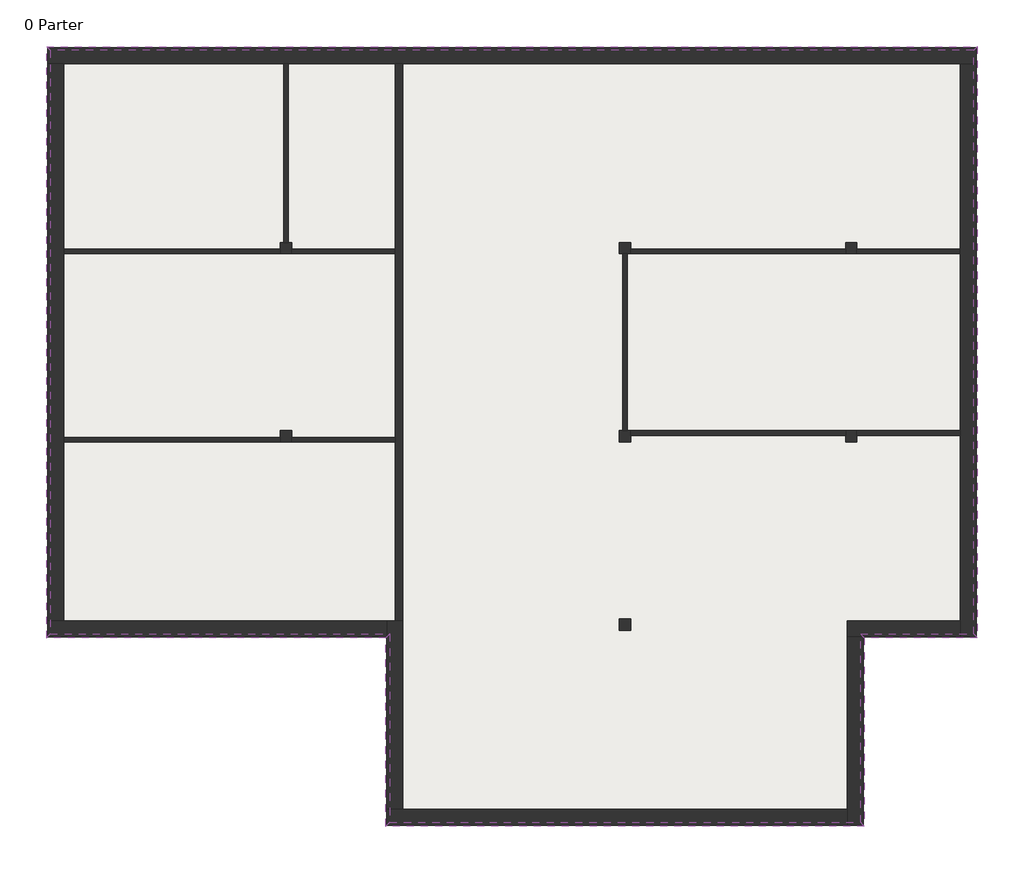
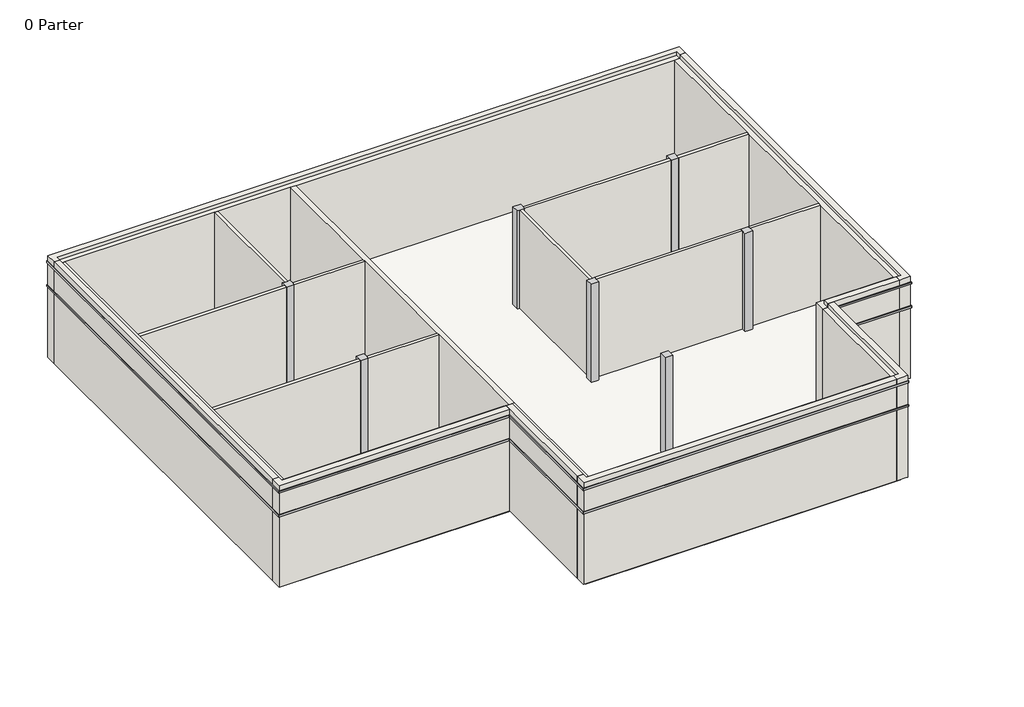
# One storey: 19 walls, 16 proxies, 7 columns, 1 slab.
"""IFC4 building model written with IfcOpenShell, lengths in millimetres."""

import ifcopenshell
import ifcopenshell.guid

model = None  # the IFC model being written
_history = None  # IfcOwnerHistory: only IFC2X3 demands one
_inside = {}  # id of a spatial element -> (the spatial element, [elements in it])
_under = {}  # id of a project, library or spatial element -> (it, [spatial elements below it])
_declared = {}  # id of a project -> (the project, [libraries it declares])
_typed = {}  # id of a type object -> (the type object, [elements of that type])
_made_of = {}  # id of a material, layer set ... -> (it, [elements and type objects made of it])


def new_model(schema):
    """Start an empty IFC model of exactly this schema.

    Asked for "IFC4X3", IfcOpenShell would pick the latest addendum, in which some entities
    have other attributes; the version numbers below select the first issue.
    IFC2X3 requires an IfcOwnerHistory on every rooted entity: one is made here for all.
    """
    global model, _history
    if schema == "IFC4X3":
        model = ifcopenshell.file(schema_version=(4, 3, 0, 0))
    else:
        model = ifcopenshell.file(schema=schema)
    _inside.clear()
    _under.clear()
    _declared.clear()
    _typed.clear()
    _made_of.clear()
    _history = None
    if model.schema == "IFC2X3":
        org = make("IfcOrganization", Name="unknown")
        user = make(
            "IfcPersonAndOrganization",
            ThePerson=make("IfcPerson", FamilyName="unknown"),
            TheOrganization=org,
        )
        app = make(
            "IfcApplication",
            ApplicationDeveloper=org,
            Version="unknown",
            ApplicationFullName="unknown",
            ApplicationIdentifier="unknown",
        )
        _history = make(
            "IfcOwnerHistory",
            OwningUser=user,
            OwningApplication=app,
            ChangeAction="ADDED",
            CreationDate=0,
        )
    return model


def make(cls, **values):
    """One entity of the class cls with the attributes given. An attribute that is None is left unset."""
    return model.create_entity(
        cls, **{name: value for name, value in values.items() if value is not None}
    )


def rooted(cls, **values):
    """An entity with a GlobalId (a new one), such as an element, a storey or a relation."""
    return make(cls, GlobalId=ifcopenshell.guid.new(), OwnerHistory=_history, **values)


def si_unit(unit_type, name, prefix=None):
    """IfcSIUnit, for example si_unit("LENGTHUNIT", "METRE", prefix="MILLI")."""
    return make("IfcSIUnit", UnitType=unit_type, Prefix=prefix, Name=name)


def assignment(units):
    """IfcUnitAssignment: the units of a project."""
    return None if units is None else make("IfcUnitAssignment", Units=units)


def point(xyz):
    """IfcCartesianPoint."""
    return None if xyz is None else make("IfcCartesianPoint", Coordinates=xyz)


def direction(xyz):
    """IfcDirection."""
    return None if xyz is None else make("IfcDirection", DirectionRatios=xyz)


def frame(location, z_axis=None, x_axis=None):
    """IfcAxis2Placement3D, a coordinate frame: its origin and axes. An axis left out is left unset."""
    return make(
        "IfcAxis2Placement3D",
        Location=point(location),
        Axis=direction(z_axis),
        RefDirection=direction(x_axis),
    )


def origin():
    """The frame at (0, 0, 0) with its axes left unset."""
    return frame((0.0, 0.0, 0.0))


def origin_with_axes():
    """The frame at (0, 0, 0) with the z axis (0, 0, 1) and the x axis (1, 0, 0) written out."""
    return frame((0.0, 0.0, 0.0), z_axis=(0.0, 0.0, 1.0), x_axis=(1.0, 0.0, 0.0))


def place(relative_to, where):
    """IfcLocalPlacement: puts the frame where relative to a parent placement (None: the world)."""
    return make(
        "IfcLocalPlacement", PlacementRelTo=relative_to, RelativePlacement=where
    )


def context(
    kind, dimensions, precision=None, world=None, true_north=None, identifier=None
):
    """IfcGeometricRepresentationContext, for example the 3D "Model" context."""
    return make(
        "IfcGeometricRepresentationContext",
        ContextIdentifier=identifier,
        ContextType=kind,
        CoordinateSpaceDimension=dimensions,
        Precision=precision,
        WorldCoordinateSystem=world,
        TrueNorth=true_north,
    )


def project(units=None, contexts=None):
    """IfcProject with its units and contexts."""
    return rooted(
        "IfcProject",
        Name="project",
        RepresentationContexts=contexts,
        UnitsInContext=assignment(units),
    )


def spatial(cls, under=None, at=None, **own):
    """A site, building, storey or space (cls), placed at a placement, below another one or the project."""
    s = rooted(cls, ObjectPlacement=at, **own)
    if under is not None:
        _under.setdefault(under.id(), (under, []))[1].append(s)
    return s


def polyline(points):
    """IfcPolyline through the points."""
    return make("IfcPolyline", Points=[point(p) for p in points])


def outline(outer, holes=None, kind="AREA"):
    """IfcArbitraryClosedProfileDef: a profile drawn as a closed curve; with holes, ...WithVoids."""
    if holes is None:
        return make("IfcArbitraryClosedProfileDef", ProfileType=kind, OuterCurve=outer)
    return make(
        "IfcArbitraryProfileDefWithVoids",
        ProfileType=kind,
        OuterCurve=outer,
        InnerCurves=holes,
    )


def extrude(swept, where, along, depth):
    """IfcExtrudedAreaSolid: the profile swept, set in the frame where, extruded along a direction by depth."""
    return make(
        "IfcExtrudedAreaSolid",
        SweptArea=swept,
        Position=where,
        ExtrudedDirection=direction(along),
        Depth=depth,
    )


def faces_of(points, faces, orient=None, outer=None):
    """IfcFace entities. A face is a list of loops; a loop is a list of indices into points, from 0.

    orient and outer hold one flag for each loop. By default every Orientation is true, the
    first loop of a face is its IfcFaceOuterBound and the others are IfcFaceBound.
    """
    made = []
    for i, loops in enumerate(faces):
        bounds = []
        for j, loop in enumerate(loops):
            is_outer = j == 0 if outer is None else outer[i][j]
            bounds.append(
                make(
                    "IfcFaceOuterBound" if is_outer else "IfcFaceBound",
                    Bound=make("IfcPolyLoop", Polygon=[points[k] for k in loop]),
                    Orientation=True if orient is None else orient[i][j],
                )
            )
        made.append(make("IfcFace", Bounds=bounds))
    return made


def faceted_brep(points, faces, orient=None, outer=None, voids=None):
    """IfcFacetedBrep: a solid bounded by flat faces; with voids (closed shells), ...WithVoids."""
    shared = [point(p) for p in points]
    hull = make("IfcClosedShell", CfsFaces=faces_of(shared, faces, orient, outer))
    if voids is None:
        return make("IfcFacetedBrep", Outer=hull)
    return make(
        "IfcFacetedBrepWithVoids",
        Outer=hull,
        Voids=[
            make(cls, CfsFaces=faces_of(shared, fs, o, b)) for cls, fs, o, b in voids
        ],
    )


def shape(context_of_items, identifier, shape_type, items):
    """IfcShapeRepresentation: the items that make up one representation, for example the "Body"."""
    return make(
        "IfcShapeRepresentation",
        ContextOfItems=context_of_items,
        RepresentationIdentifier=identifier,
        RepresentationType=shape_type,
        Items=items,
    )


def made_of(thing, what):
    """Note that an element or type object is made of a material, layer set ...; save() writes the relation."""
    if what is not None:
        _made_of.setdefault(what.id(), (what, []))[1].append(thing)
    return thing


def element(
    cls,
    number,
    at=None,
    inside=None,
    cuts=None,
    type_object=None,
    material=None,
    context=None,
    identifier="Body",
    shape_type=None,
    held_by="IfcProductDefinitionShape",
    body=None,
    shapes=None,
    **own,
):
    """One element of the class cls, such as IfcWall. Its Tag is "e" and its number.

    at: its placement. inside: the storey or other place that contains it. cuts: it is an
    opening in that element (IfcRelVoidsElement). A single representation is given by context,
    identifier, shape_type and body (its items); several are given by shapes. held_by: the class
    of the entity that holds the representations. save() writes the other relations.
    """
    e = rooted(cls, Tag="e%d" % number, ObjectPlacement=at, **own)
    if body is not None:
        shapes = [shape(context, identifier, shape_type, body)]
    if shapes is not None:
        e.Representation = make(held_by, Representations=shapes)
    if inside is not None:
        _inside.setdefault(inside.id(), (inside, []))[1].append(e)
    if cuts is not None:
        rooted(
            "IfcRelVoidsElement", RelatingBuildingElement=cuts, RelatedOpeningElement=e
        )
    if type_object is not None:
        _typed.setdefault(type_object.id(), (type_object, []))[1].append(e)
    return made_of(e, material)


def aggregate(whole, parts):
    """IfcRelAggregates: a whole, such as a stair, and the parts it consists of."""
    return rooted("IfcRelAggregates", RelatingObject=whole, RelatedObjects=parts)


def save(model, path):
    """Write the relations noted so far, then the file.

    IfcRelAggregates (storeys below a building ...), IfcRelContainedInSpatialStructure (elements
    in a storey), IfcRelDefinesByType, IfcRelAssociatesMaterial and IfcRelDeclares: one each for
    every whole, place, type object, material and project.
    """
    for whole, parts in _under.values():
        aggregate(whole, parts)
    for where, things in _inside.values():
        rooted(
            "IfcRelContainedInSpatialStructure",
            RelatedElements=things,
            RelatingStructure=where,
        )
    for kind, things in _typed.values():
        rooted("IfcRelDefinesByType", RelatedObjects=things, RelatingType=kind)
    for what, things in _made_of.values():
        rooted("IfcRelAssociatesMaterial", RelatedObjects=things, RelatingMaterial=what)
    for by, libraries in _declared.values():
        rooted("IfcRelDeclares", RelatingContext=by, RelatedDefinitions=libraries)
    model.write(path)


model = new_model("IFC4")

# Units and contexts
model_context = context("Model", 3, world=origin())
ifc_project = project(units=[si_unit("LENGTHUNIT", "METRE", prefix="MILLI")], contexts=[model_context])

# Site, building, storey
site = spatial("IfcSite", under=ifc_project)
building = spatial("IfcBuilding", under=site)
storey = spatial("IfcBuildingStorey", under=building, Name="0 Parter", Elevation=0.0)

# Proxies
placement = place(None, origin())
element("IfcBuildingElementProxy", 1, Name="Reveals", at=placement, inside=storey, context=model_context, shape_type="SweptSolid", body=[
    extrude(outline(polyline([(-16305.387527, 15039.0054116), (-16407.887527, 15141.5054116), (8291.112473, 15141.5054116), (8188.612473, 15039.0054116), (-16305.387527, 15039.0054116)])), frame((0.0, 0.0, 2925.0), z_axis=(0.0, 0.0, 1.0), x_axis=(1.0, 0.0, 0.0)), (0.0, 0.0, 1.0), 75.0),
])
element("IfcBuildingElementProxy", 2, Name="Reveals", at=placement, inside=storey, context=model_context, shape_type="SweptSolid", body=[
    extrude(outline(polyline([(-16305.387527, 15039.0054116), (-16407.887527, 15141.5054116), (8291.112473, 15141.5054116), (8188.612473, 15039.0054116), (-16305.387527, 15039.0054116)])), frame((0.0, 0.0, 3900.0), z_axis=(0.0, 0.0, 1.0), x_axis=(1.0, 0.0, 0.0)), (0.0, 0.0, 1.0), 75.0),
])
element("IfcBuildingElementProxy", 3, Name="Reveals", at=placement, inside=storey, context=model_context, shape_type="SweptSolid", body=[
    extrude(outline(polyline([(8188.612473, 15039.0054116), (8291.112473, 15141.5054116), (8291.112473, -557.4945884), (8188.612473, -454.9945884), (8188.612473, 15039.0054116)])), frame((0.0, 0.0, 2925.0), z_axis=(0.0, 0.0, 1.0), x_axis=(1.0, 0.0, 0.0)), (0.0, 0.0, 1.0), 75.0),
])
element("IfcBuildingElementProxy", 4, Name="Reveals", at=placement, inside=storey, context=model_context, shape_type="SweptSolid", body=[
    extrude(outline(polyline([(8188.612473, 15039.0054116), (8291.112473, 15141.5054116), (8291.112473, -557.4945884), (8188.612473, -454.9945884), (8188.612473, 15039.0054116)])), frame((0.0, 0.0, 3900.0), z_axis=(0.0, 0.0, 1.0), x_axis=(1.0, 0.0, 0.0)), (0.0, 0.0, 1.0), 75.0),
])
element("IfcBuildingElementProxy", 5, Name="Reveals", at=placement, inside=storey, context=model_context, shape_type="SweptSolid", body=[
    extrude(outline(polyline([(8188.612473, -454.9945884), (8291.112473, -557.4945884), (5291.112473, -557.4945884), (5188.612473, -454.9945884), (8188.612473, -454.9945884)])), frame((0.0, 0.0, 2925.0), z_axis=(0.0, 0.0, 1.0), x_axis=(1.0, 0.0, 0.0)), (0.0, 0.0, 1.0), 75.0),
])
element("IfcBuildingElementProxy", 6, Name="Reveals", at=placement, inside=storey, context=model_context, shape_type="SweptSolid", body=[
    extrude(outline(polyline([(8188.612473, -454.9945884), (8291.112473, -557.4945884), (5291.112473, -557.4945884), (5188.612473, -454.9945884), (8188.612473, -454.9945884)])), frame((0.0, 0.0, 3900.0), z_axis=(0.0, 0.0, 1.0), x_axis=(1.0, 0.0, 0.0)), (0.0, 0.0, 1.0), 75.0),
])
element("IfcBuildingElementProxy", 7, Name="Reveals", at=placement, inside=storey, context=model_context, shape_type="SweptSolid", body=[
    extrude(outline(polyline([(5188.612473, -454.9945884), (5291.112473, -557.4945884), (5291.112473, -5557.4945884), (5188.612473, -5454.9945884), (5188.612473, -454.9945884)])), frame((0.0, 0.0, 2925.0), z_axis=(0.0, 0.0, 1.0), x_axis=(1.0, 0.0, 0.0)), (0.0, 0.0, 1.0), 75.0),
])
element("IfcBuildingElementProxy", 8, Name="Reveals", at=placement, inside=storey, context=model_context, shape_type="SweptSolid", body=[
    extrude(outline(polyline([(5188.612473, -454.9945884), (5291.112473, -557.4945884), (5291.112473, -5557.4945884), (5188.612473, -5454.9945884), (5188.612473, -454.9945884)])), frame((0.0, 0.0, 3900.0), z_axis=(0.0, 0.0, 1.0), x_axis=(1.0, 0.0, 0.0)), (0.0, 0.0, 1.0), 75.0),
])
element("IfcBuildingElementProxy", 9, Name="Reveals", at=placement, inside=storey, context=model_context, shape_type="SweptSolid", body=[
    extrude(outline(polyline([(5188.612473, -5454.9945884), (5291.112473, -5557.4945884), (-7407.887527, -5557.4945884), (-7305.387527, -5454.9945884), (5188.612473, -5454.9945884)])), frame((0.0, 0.0, 2925.0), z_axis=(0.0, 0.0, 1.0), x_axis=(1.0, 0.0, 0.0)), (0.0, 0.0, 1.0), 75.0),
])
element("IfcBuildingElementProxy", 10, Name="Reveals", at=placement, inside=storey, context=model_context, shape_type="SweptSolid", body=[
    extrude(outline(polyline([(5188.612473, -5454.9945884), (5291.112473, -5557.4945884), (-7407.887527, -5557.4945884), (-7305.387527, -5454.9945884), (5188.612473, -5454.9945884)])), frame((0.0, 0.0, 3900.0), z_axis=(0.0, 0.0, 1.0), x_axis=(1.0, 0.0, 0.0)), (0.0, 0.0, 1.0), 75.0),
])
element("IfcBuildingElementProxy", 11, Name="Reveals", at=placement, inside=storey, context=model_context, shape_type="SweptSolid", body=[
    extrude(outline(polyline([(-7305.387527, -5454.9945884), (-7407.887527, -5557.4945884), (-7407.887527, -557.4945884), (-7305.387527, -454.9945884), (-7305.387527, -5454.9945884)])), frame((0.0, 0.0, 2925.0), z_axis=(0.0, 0.0, 1.0), x_axis=(1.0, 0.0, 0.0)), (0.0, 0.0, 1.0), 75.0),
])
element("IfcBuildingElementProxy", 12, Name="Reveals", at=placement, inside=storey, context=model_context, shape_type="SweptSolid", body=[
    extrude(outline(polyline([(-7305.387527, -5454.9945884), (-7407.887527, -5557.4945884), (-7407.887527, -557.4945884), (-7305.387527, -454.9945884), (-7305.387527, -5454.9945884)])), frame((0.0, 0.0, 3900.0), z_axis=(0.0, 0.0, 1.0), x_axis=(1.0, 0.0, 0.0)), (0.0, 0.0, 1.0), 75.0),
])
element("IfcBuildingElementProxy", 13, Name="Reveals", at=placement, inside=storey, context=model_context, shape_type="SweptSolid", body=[
    extrude(outline(polyline([(-7305.387527, -454.9945884), (-7407.887527, -557.4945884), (-16407.887527, -557.4945884), (-16305.387527, -454.9945884), (-7305.387527, -454.9945884)])), frame((0.0, 0.0, 2925.0), z_axis=(0.0, 0.0, 1.0), x_axis=(1.0, 0.0, 0.0)), (0.0, 0.0, 1.0), 75.0),
])
element("IfcBuildingElementProxy", 14, Name="Reveals", at=placement, inside=storey, context=model_context, shape_type="SweptSolid", body=[
    extrude(outline(polyline([(-7305.387527, -454.9945884), (-7407.887527, -557.4945884), (-16407.887527, -557.4945884), (-16305.387527, -454.9945884), (-7305.387527, -454.9945884)])), frame((0.0, 0.0, 3900.0), z_axis=(0.0, 0.0, 1.0), x_axis=(1.0, 0.0, 0.0)), (0.0, 0.0, 1.0), 75.0),
])
element("IfcBuildingElementProxy", 15, Name="Reveals", at=placement, inside=storey, context=model_context, shape_type="SweptSolid", body=[
    extrude(outline(polyline([(-16305.387527, -454.9945884), (-16407.887527, -557.4945884), (-16407.887527, 15141.5054116), (-16305.387527, 15039.0054116), (-16305.387527, -454.9945884)])), frame((0.0, 0.0, 2925.0), z_axis=(0.0, 0.0, 1.0), x_axis=(1.0, 0.0, 0.0)), (0.0, 0.0, 1.0), 75.0),
])
element("IfcBuildingElementProxy", 16, Name="Reveals", at=placement, inside=storey, context=model_context, shape_type="SweptSolid", body=[
    extrude(outline(polyline([(-16305.387527, -454.9945884), (-16407.887527, -557.4945884), (-16407.887527, 15141.5054116), (-16305.387527, 15039.0054116), (-16305.387527, -454.9945884)])), frame((0.0, 0.0, 3900.0), z_axis=(0.0, 0.0, 1.0), x_axis=(1.0, 0.0, 0.0)), (0.0, 0.0, 1.0), 75.0),
])

# Columns
element("IfcColumn", 17, ObjectType="300 x 300 mm", at=placement, inside=storey, context=model_context, shape_type="Brep", body=[
    faceted_brep([(-9908.387527, 9942.0054116, 0.0), (-9908.387527, 9766.0054116, 0.0), (-9908.387527, 9642.0054116, 0.0), (-10208.387527, 9642.0054116, 0.0), (-10208.387527, 9942.0054116, 0.0), (-10120.387527, 9942.0054116, 0.0), (-9996.387527, 9942.0054116, 0.0), (-9908.387527, 9942.0054116, 4050.0), (-9908.387527, 9766.0054116, 4050.0), (-9908.387527, 9642.0054116, 4050.0), (-10208.387527, 9642.0054116, 4050.0), (-10208.387527, 9942.0054116, 4050.0), (-10120.387527, 9942.0054116, 4050.0), (-9996.387527, 9942.0054116, 4050.0)], [[[0, 1, 2, 3, 4, 5, 6]], [[2, 1, 0, 7, 8, 9]], [[3, 2, 9, 10]], [[4, 3, 10, 11]], [[0, 6, 5, 4, 11, 12, 13, 7]], [[9, 8, 7, 13, 12, 11, 10]]]),
])
element("IfcColumn", 18, ObjectType="300 x 300 mm", at=placement, inside=storey, context=model_context, shape_type="Brep", body=[
    faceted_brep([(-9908.387527, 4942.0054116, 0.0), (-9908.387527, 4766.0054116, 0.0), (-9908.387527, 4642.0054116, 0.0), (-10208.387527, 4642.0054116, 0.0), (-10208.387527, 4766.0054116, 0.0), (-10208.387527, 4942.0054116, 0.0), (-9908.387527, 4942.0054116, 4050.0), (-9908.387527, 4766.0054116, 4050.0), (-9908.387527, 4642.0054116, 4050.0), (-10208.387527, 4642.0054116, 4050.0), (-10208.387527, 4766.0054116, 4050.0), (-10208.387527, 4942.0054116, 4050.0)], [[[0, 1, 2, 3, 4, 5]], [[2, 1, 0, 6, 7, 8]], [[3, 2, 8, 9]], [[5, 4, 3, 9, 10, 11]], [[0, 5, 11, 6]], [[8, 7, 6, 11, 10, 9]]]),
])
element("IfcColumn", 19, ObjectType="300 x 300 mm", at=placement, inside=storey, context=model_context, shape_type="Brep", body=[
    faceted_brep([(-908.387527, 9942.0054116, 0.0), (-908.387527, 9766.0054116, 0.0), (-908.387527, 9642.0054116, 0.0), (-996.387527, 9642.0054116, 0.0), (-1120.387527, 9642.0054116, 0.0), (-1208.387527, 9642.0054116, 0.0), (-1208.387527, 9942.0054116, 0.0), (-908.387527, 9942.0054116, 4050.0), (-908.387527, 9766.0054116, 4050.0), (-908.387527, 9642.0054116, 4050.0), (-996.387527, 9642.0054116, 4050.0), (-1120.387527, 9642.0054116, 4050.0), (-1208.387527, 9642.0054116, 4050.0), (-1208.387527, 9942.0054116, 4050.0)], [[[0, 1, 2, 3, 4, 5, 6]], [[2, 1, 0, 7, 8, 9]], [[5, 4, 3, 2, 9, 10, 11, 12]], [[6, 5, 12, 13]], [[0, 6, 13, 7]], [[9, 8, 7, 13, 12, 11, 10]]]),
])
element("IfcColumn", 20, ObjectType="300 x 300 mm", at=placement, inside=storey, context=model_context, shape_type="Brep", body=[
    faceted_brep([(-908.387527, 4942.0054116, 0.0), (-908.387527, 4818.0054116, 0.0), (-908.387527, 4642.0054116, 0.0), (-1208.387527, 4642.0054116, 0.0), (-1208.387527, 4942.0054116, 0.0), (-1120.387527, 4942.0054116, 0.0), (-996.387527, 4942.0054116, 0.0), (-908.387527, 4942.0054116, 4050.0), (-908.387527, 4818.0054116, 4050.0), (-908.387527, 4642.0054116, 4050.0), (-1208.387527, 4642.0054116, 4050.0), (-1208.387527, 4942.0054116, 4050.0), (-1120.387527, 4942.0054116, 4050.0), (-996.387527, 4942.0054116, 4050.0)], [[[0, 1, 2, 3, 4, 5, 6]], [[2, 1, 0, 7, 8, 9]], [[3, 2, 9, 10]], [[4, 3, 10, 11]], [[0, 6, 5, 4, 11, 12, 13, 7]], [[9, 8, 7, 13, 12, 11, 10]]]),
])
element("IfcColumn", 21, ObjectType="300 x 300 mm", at=placement, inside=storey, context=model_context, shape_type="Brep", body=[
    faceted_brep([(5091.612473, 9942.0054116, 0.0), (5091.612473, 9766.0054116, 0.0), (5091.612473, 9642.0054116, 0.0), (4791.612473, 9642.0054116, 0.0), (4791.612473, 9766.0054116, 0.0), (4791.612473, 9942.0054116, 0.0), (5091.612473, 9942.0054116, 4050.0), (5091.612473, 9766.0054116, 4050.0), (5091.612473, 9642.0054116, 4050.0), (4791.612473, 9642.0054116, 4050.0), (4791.612473, 9766.0054116, 4050.0), (4791.612473, 9942.0054116, 4050.0)], [[[0, 1, 2, 3, 4, 5]], [[2, 1, 0, 6, 7, 8]], [[3, 2, 8, 9]], [[5, 4, 3, 9, 10, 11]], [[0, 5, 11, 6]], [[8, 7, 6, 11, 10, 9]]]),
])
element("IfcColumn", 22, ObjectType="300 x 300 mm", at=placement, inside=storey, context=model_context, shape_type="Brep", body=[
    faceted_brep([(5091.612473, 4942.0054116, 0.0), (5091.612473, 4818.0054116, 0.0), (5091.612473, 4642.0054116, 0.0), (4791.612473, 4642.0054116, 0.0), (4791.612473, 4818.0054116, 0.0), (4791.612473, 4942.0054116, 0.0), (5091.612473, 4942.0054116, 4050.0), (5091.612473, 4818.0054116, 4050.0), (5091.612473, 4642.0054116, 4050.0), (4791.612473, 4642.0054116, 4050.0), (4791.612473, 4818.0054116, 4050.0), (4791.612473, 4942.0054116, 4050.0)], [[[0, 1, 2, 3, 4, 5]], [[2, 1, 0, 6, 7, 8]], [[3, 2, 8, 9]], [[5, 4, 3, 9, 10, 11]], [[0, 5, 11, 6]], [[8, 7, 6, 11, 10, 9]]]),
])
element("IfcColumn", 23, ObjectType="300 x 300 mm", at=placement, inside=storey, context=model_context, shape_type="SweptSolid", body=[
    extrude(outline(polyline([(-908.387527, -57.9945884), (-908.387527, -357.9945884), (-1208.387527, -357.9945884), (-1208.387527, -57.9945884), (-908.387527, -57.9945884)])), origin_with_axes(), (0.0, 0.0, 1.0), 4050.0),
])

# Slab
element("IfcSlab", 24, at=placement, inside=storey, context=model_context, shape_type="SweptSolid", body=[
    extrude(outline(polyline([(8091.612473, 14942.0054116), (8091.612473, -357.9945884), (5091.612473, -357.9945884), (5091.612473, -5357.9945884), (-7208.387527, -5357.9945884), (-7208.387527, -357.9945884), (-16208.387527, -357.9945884), (-16208.387527, 14942.0054116), (8091.612473, 14942.0054116)])), frame((0.0, 0.0, -150.0), z_axis=(0.0, 0.0, 1.0), x_axis=(1.0, 0.0, 0.0)), (0.0, 0.0, 1.0), 150.0),
])

# Walls
element("IfcWall", 25, at=placement, inside=storey, context=model_context, shape_type="Brep", body=[
    faceted_brep([(-16380.387527, 14685.0054116, 0.0), (-15951.387527, 14685.0054116, 0.0), (-10120.387527, 14685.0054116, 0.0), (-9996.387527, 14685.0054116, 0.0), (-7151.387527, 14685.0054116, 0.0), (-6951.387527, 14685.0054116, 0.0), (7834.612473, 14685.0054116, 0.0), (8263.612473, 14685.0054116, 0.0), (8263.612473, 14685.0054116, 2925.0), (8188.612473, 14685.0054116, 2925.0), (8188.612473, 14685.0054116, 3000.0), (8263.612473, 14685.0054116, 3000.0), (8263.612473, 14685.0054116, 3900.0), (8188.612473, 14685.0054116, 3900.0), (8188.612473, 14685.0054116, 3975.0), (8263.612473, 14685.0054116, 3975.0), (8263.612473, 14685.0054116, 4200.0), (8036.612473, 14685.0054116, 4200.0), (8036.612473, 14685.0054116, 4050.0), (7834.612473, 14685.0054116, 4050.0), (-6951.387527, 14685.0054116, 4050.0), (-7151.387527, 14685.0054116, 4050.0), (-9996.387527, 14685.0054116, 4050.0), (-10120.387527, 14685.0054116, 4050.0), (-15951.387527, 14685.0054116, 4050.0), (-16153.387527, 14685.0054116, 4050.0), (-16153.387527, 14685.0054116, 4200.0), (-16380.387527, 14685.0054116, 4200.0), (-16380.387527, 14685.0054116, 3975.0), (-16305.387527, 14685.0054116, 3975.0), (-16305.387527, 14685.0054116, 3900.0), (-16380.387527, 14685.0054116, 3900.0), (-16380.387527, 14685.0054116, 3000.0), (-16305.387527, 14685.0054116, 3000.0), (-16305.387527, 14685.0054116, 2925.0), (-16380.387527, 14685.0054116, 2925.0), (-16380.387527, 15114.0054116, 4200.0), (8263.612473, 15114.0054116, 4200.0), (8263.612473, 15114.0054116, 3975.0), (-16380.387527, 15114.0054116, 3975.0), (8263.612473, 15114.0054116, 0.0), (-16380.387527, 15114.0054116, 0.0), (-16380.387527, 15114.0054116, 2925.0), (8263.612473, 15114.0054116, 2925.0), (8263.612473, 15114.0054116, 3900.0), (8263.612473, 15114.0054116, 3000.0), (-16380.387527, 15114.0054116, 3000.0), (-16380.387527, 15114.0054116, 3900.0), (-16153.387527, 14887.0054116, 4200.0), (8036.612473, 14887.0054116, 4200.0), (-16380.387527, 15089.0054116, 0.0), (8263.612473, 15089.0054116, 0.0), (-16305.387527, 15039.0054116, 2925.0), (-16305.387527, 15039.0054116, 3000.0), (8188.612473, 15039.0054116, 3000.0), (8188.612473, 15039.0054116, 2925.0), (-16305.387527, 15039.0054116, 3900.0), (-16305.387527, 15039.0054116, 3975.0), (8188.612473, 15039.0054116, 3975.0), (8188.612473, 15039.0054116, 3900.0), (8036.612473, 14887.0054116, 4050.0), (-16153.387527, 14887.0054116, 4050.0)], [[[0, 1, 2, 3, 4, 5, 6, 7, 8, 9, 10, 11, 12, 13, 14, 15, 16, 17, 18, 19, 20, 21, 22, 23, 24, 25, 26, 27, 28, 29, 30, 31, 32, 33, 34, 35]], [[36, 37, 38, 39]], [[40, 41, 42, 43]], [[44, 45, 46, 47]], [[37, 36, 27, 26, 48, 49, 17, 16]], [[7, 6, 5, 4, 3, 2, 1, 0, 50, 51]], [[52, 53, 54, 55]], [[56, 57, 58, 59]], [[37, 16, 15, 38]], [[7, 51, 40, 43, 8]], [[12, 11, 45, 44]], [[55, 54, 10, 9]], [[59, 58, 14, 13]], [[27, 36, 39, 28]], [[50, 0, 35, 42, 41]], [[46, 32, 31, 47]], [[41, 40, 51, 50]], [[54, 53, 33, 32, 46, 45, 11, 10]], [[52, 55, 9, 8, 43, 42, 35, 34]], [[53, 52, 34, 33]], [[58, 57, 29, 28, 39, 38, 15, 14]], [[56, 59, 13, 12, 44, 47, 31, 30]], [[57, 56, 30, 29]], [[60, 61, 25, 24, 23, 22, 21, 20, 19, 18]], [[49, 60, 18, 17]], [[61, 48, 26, 25]], [[61, 60, 49, 48]]]),
])
element("IfcWall", 26, at=placement, inside=storey, context=model_context, shape_type="Brep", body=[
    faceted_brep([(7834.612473, 14685.0054116, 0.0), (7834.612473, 9766.0054116, 0.0), (7834.612473, 9642.0054116, 0.0), (7834.612473, 4942.0054116, 0.0), (7834.612473, 4818.0054116, 0.0), (7834.612473, -100.9945884, 0.0), (7834.612473, -529.9945884, 0.0), (7834.612473, -529.9945884, 2925.0), (7834.612473, -454.9945884, 2925.0), (7834.612473, -454.9945884, 3000.0), (7834.612473, -529.9945884, 3000.0), (7834.612473, -529.9945884, 3900.0), (7834.612473, -454.9945884, 3900.0), (7834.612473, -454.9945884, 3975.0), (7834.612473, -529.9945884, 3975.0), (7834.612473, -529.9945884, 4200.0), (7834.612473, -302.9945884, 4200.0), (7834.612473, -302.9945884, 4050.0), (7834.612473, -100.9945884, 4050.0), (7834.612473, 4818.0054116, 4050.0), (7834.612473, 4942.0054116, 4050.0), (7834.612473, 9642.0054116, 4050.0), (7834.612473, 9766.0054116, 4050.0), (7834.612473, 14685.0054116, 4050.0), (8263.612473, 14685.0054116, 4200.0), (8263.612473, -529.9945884, 4200.0), (8263.612473, -529.9945884, 3975.0), (8263.612473, 14685.0054116, 3975.0), (8263.612473, -529.9945884, 0.0), (8263.612473, 14685.0054116, 0.0), (8263.612473, 14685.0054116, 2925.0), (8263.612473, -529.9945884, 2925.0), (8263.612473, -529.9945884, 3000.0), (8263.612473, 14685.0054116, 3000.0), (8263.612473, 14685.0054116, 3900.0), (8263.612473, -529.9945884, 3900.0), (8036.612473, 14685.0054116, 4200.0), (8036.612473, -302.9945884, 4200.0), (8238.612473, 14685.0054116, 0.0), (8238.612473, -529.9945884, 0.0), (8188.612473, -454.9945884, 2925.0), (8188.612473, 14685.0054116, 2925.0), (8188.612473, 14685.0054116, 3000.0), (8188.612473, -454.9945884, 3000.0), (8188.612473, -454.9945884, 3900.0), (8188.612473, 14685.0054116, 3900.0), (8188.612473, 14685.0054116, 3975.0), (8188.612473, -454.9945884, 3975.0), (8036.612473, 14685.0054116, 4050.0), (8036.612473, -302.9945884, 4050.0)], [[[0, 1, 2, 3, 4, 5, 6, 7, 8, 9, 10, 11, 12, 13, 14, 15, 16, 17, 18, 19, 20, 21, 22, 23]], [[24, 25, 26, 27]], [[28, 29, 30, 31]], [[32, 33, 34, 35]], [[25, 24, 36, 37, 16, 15]], [[6, 5, 4, 3, 2, 1, 0, 38, 39]], [[40, 41, 42, 43]], [[44, 45, 46, 47]], [[38, 0, 23, 48, 36, 24, 27, 46, 45, 34, 33, 42, 41, 30, 29]], [[29, 28, 39, 38]], [[43, 42, 33, 32, 10, 9]], [[41, 40, 8, 7, 31, 30]], [[47, 46, 27, 26, 14, 13]], [[45, 44, 12, 11, 35, 34]], [[25, 15, 14, 26]], [[6, 39, 28, 31, 7]], [[10, 32, 35, 11]], [[40, 43, 9, 8]], [[44, 47, 13, 12]], [[17, 49, 48, 23, 22, 21, 20, 19, 18]], [[49, 37, 36, 48]], [[37, 49, 17, 16]]]),
])
element("IfcWall", 27, at=placement, inside=storey, context=model_context, shape_type="Brep", body=[
    faceted_brep([(7834.612473, -100.9945884, 0.0), (4834.612473, -100.9945884, 0.0), (4834.612473, -100.9945884, 4050.0), (7834.612473, -100.9945884, 4050.0), (4834.612473, -529.9945884, 0.0), (5263.612473, -529.9945884, 0.0), (7834.612473, -529.9945884, 0.0), (7834.612473, -529.9945884, 2925.0), (5263.612473, -529.9945884, 2925.0), (5188.612473, -529.9945884, 2925.0), (5188.612473, -529.9945884, 3000.0), (5263.612473, -529.9945884, 3000.0), (7834.612473, -529.9945884, 3000.0), (7834.612473, -529.9945884, 3900.0), (5263.612473, -529.9945884, 3900.0), (5188.612473, -529.9945884, 3900.0), (5188.612473, -529.9945884, 3975.0), (5263.612473, -529.9945884, 3975.0), (7834.612473, -529.9945884, 3975.0), (7834.612473, -529.9945884, 4200.0), (5263.612473, -529.9945884, 4200.0), (5036.612473, -529.9945884, 4200.0), (5036.612473, -529.9945884, 4050.0), (4834.612473, -529.9945884, 4050.0), (7834.612473, -302.9945884, 4200.0), (5036.612473, -302.9945884, 4200.0), (7834.612473, -504.9945884, 0.0), (4834.612473, -504.9945884, 0.0), (5188.612473, -454.9945884, 2925.0), (7834.612473, -454.9945884, 2925.0), (7834.612473, -454.9945884, 3000.0), (5188.612473, -454.9945884, 3000.0), (5188.612473, -454.9945884, 3900.0), (7834.612473, -454.9945884, 3900.0), (7834.612473, -454.9945884, 3975.0), (5188.612473, -454.9945884, 3975.0), (7834.612473, -302.9945884, 4050.0), (5036.612473, -302.9945884, 4050.0)], [[[0, 1, 2, 3]], [[4, 5, 6, 7, 8, 9, 10, 11, 12, 13, 14, 15, 16, 17, 18, 19, 20, 21, 22, 23]], [[21, 20, 19, 24, 25]], [[1, 0, 26, 27]], [[28, 29, 30, 31]], [[32, 33, 34, 35]], [[26, 0, 3, 36, 24, 19, 18, 34, 33, 13, 12, 30, 29, 7, 6]], [[6, 5, 4, 27, 26]], [[31, 30, 12, 11, 10]], [[29, 28, 9, 8, 7]], [[35, 34, 18, 17, 16]], [[33, 32, 15, 14, 13]], [[1, 27, 4, 23, 2]], [[28, 31, 10, 9]], [[32, 35, 16, 15]], [[22, 37, 36, 3, 2, 23]], [[37, 25, 24, 36]], [[25, 37, 22, 21]]]),
])
element("IfcWall", 28, at=placement, inside=storey, context=model_context, shape_type="Brep", body=[
    faceted_brep([(4834.612473, -529.9945884, 0.0), (4834.612473, -5100.9945884, 0.0), (4834.612473, -5529.9945884, 0.0), (4834.612473, -5529.9945884, 2925.0), (4834.612473, -5454.9945884, 2925.0), (4834.612473, -5454.9945884, 3000.0), (4834.612473, -5529.9945884, 3000.0), (4834.612473, -5529.9945884, 3900.0), (4834.612473, -5454.9945884, 3900.0), (4834.612473, -5454.9945884, 3975.0), (4834.612473, -5529.9945884, 3975.0), (4834.612473, -5529.9945884, 4200.0), (4834.612473, -5302.9945884, 4200.0), (4834.612473, -5302.9945884, 4050.0), (4834.612473, -529.9945884, 4050.0), (5263.612473, -529.9945884, 4200.0), (5263.612473, -5529.9945884, 4200.0), (5263.612473, -5529.9945884, 3975.0), (5263.612473, -529.9945884, 3975.0), (5263.612473, -5529.9945884, 0.0), (5263.612473, -529.9945884, 0.0), (5263.612473, -529.9945884, 2925.0), (5263.612473, -5529.9945884, 2925.0), (5263.612473, -5529.9945884, 3000.0), (5263.612473, -529.9945884, 3000.0), (5263.612473, -529.9945884, 3900.0), (5263.612473, -5529.9945884, 3900.0), (5036.612473, -529.9945884, 4200.0), (5036.612473, -5302.9945884, 4200.0), (5238.612473, -529.9945884, 0.0), (5238.612473, -5529.9945884, 0.0), (5188.612473, -5454.9945884, 2925.0), (5188.612473, -529.9945884, 2925.0), (5188.612473, -529.9945884, 3000.0), (5188.612473, -5454.9945884, 3000.0), (5188.612473, -5454.9945884, 3900.0), (5188.612473, -529.9945884, 3900.0), (5188.612473, -529.9945884, 3975.0), (5188.612473, -5454.9945884, 3975.0), (5036.612473, -529.9945884, 4050.0), (5036.612473, -5302.9945884, 4050.0)], [[[0, 1, 2, 3, 4, 5, 6, 7, 8, 9, 10, 11, 12, 13, 14]], [[15, 16, 17, 18]], [[19, 20, 21, 22]], [[23, 24, 25, 26]], [[16, 15, 27, 28, 12, 11]], [[2, 1, 0, 29, 30]], [[31, 32, 33, 34]], [[35, 36, 37, 38]], [[29, 0, 14, 39, 27, 15, 18, 37, 36, 25, 24, 33, 32, 21, 20]], [[20, 19, 30, 29]], [[34, 33, 24, 23, 6, 5]], [[32, 31, 4, 3, 22, 21]], [[38, 37, 18, 17, 10, 9]], [[36, 35, 8, 7, 26, 25]], [[16, 11, 10, 17]], [[2, 30, 19, 22, 3]], [[6, 23, 26, 7]], [[31, 34, 5, 4]], [[35, 38, 9, 8]], [[13, 40, 39, 14]], [[40, 28, 27, 39]], [[28, 40, 13, 12]]]),
])
element("IfcWall", 29, at=placement, inside=storey, context=model_context, shape_type="Brep", body=[
    faceted_brep([(4834.612473, -5100.9945884, 0.0), (-6951.387527, -5100.9945884, 0.0), (-7380.387527, -5100.9945884, 0.0), (-7380.387527, -5100.9945884, 2925.0), (-7305.387527, -5100.9945884, 2925.0), (-7305.387527, -5100.9945884, 3000.0), (-7380.387527, -5100.9945884, 3000.0), (-7380.387527, -5100.9945884, 3900.0), (-7305.387527, -5100.9945884, 3900.0), (-7305.387527, -5100.9945884, 3975.0), (-7380.387527, -5100.9945884, 3975.0), (-7380.387527, -5100.9945884, 4200.0), (-7153.387527, -5100.9945884, 4200.0), (-7153.387527, -5100.9945884, 4050.0), (4834.612473, -5100.9945884, 4050.0), (4834.612473, -5529.9945884, 4200.0), (-7380.387527, -5529.9945884, 4200.0), (-7380.387527, -5529.9945884, 3975.0), (4834.612473, -5529.9945884, 3975.0), (-7380.387527, -5529.9945884, 0.0), (4834.612473, -5529.9945884, 0.0), (4834.612473, -5529.9945884, 2925.0), (-7380.387527, -5529.9945884, 2925.0), (-7380.387527, -5529.9945884, 3000.0), (4834.612473, -5529.9945884, 3000.0), (4834.612473, -5529.9945884, 3900.0), (-7380.387527, -5529.9945884, 3900.0), (4834.612473, -5302.9945884, 4200.0), (-7153.387527, -5302.9945884, 4200.0), (4834.612473, -5504.9945884, 0.0), (-7380.387527, -5504.9945884, 0.0), (-7305.387527, -5454.9945884, 2925.0), (4834.612473, -5454.9945884, 2925.0), (4834.612473, -5454.9945884, 3000.0), (-7305.387527, -5454.9945884, 3000.0), (-7305.387527, -5454.9945884, 3900.0), (4834.612473, -5454.9945884, 3900.0), (4834.612473, -5454.9945884, 3975.0), (-7305.387527, -5454.9945884, 3975.0), (4834.612473, -5302.9945884, 4050.0), (-7153.387527, -5302.9945884, 4050.0)], [[[0, 1, 2, 3, 4, 5, 6, 7, 8, 9, 10, 11, 12, 13, 14]], [[15, 16, 17, 18]], [[19, 20, 21, 22]], [[23, 24, 25, 26]], [[16, 15, 27, 28, 12, 11]], [[2, 1, 0, 29, 30]], [[31, 32, 33, 34]], [[35, 36, 37, 38]], [[29, 0, 14, 39, 27, 15, 18, 37, 36, 25, 24, 33, 32, 21, 20]], [[20, 19, 30, 29]], [[34, 33, 24, 23, 6, 5]], [[32, 31, 4, 3, 22, 21]], [[38, 37, 18, 17, 10, 9]], [[36, 35, 8, 7, 26, 25]], [[16, 11, 10, 17]], [[2, 30, 19, 22, 3]], [[6, 23, 26, 7]], [[31, 34, 5, 4]], [[35, 38, 9, 8]], [[13, 40, 39, 14]], [[40, 28, 27, 39]], [[28, 40, 13, 12]]]),
])
element("IfcWall", 30, at=placement, inside=storey, context=model_context, shape_type="Brep", body=[
    faceted_brep([(-6951.387527, -5100.9945884, 0.0), (-6951.387527, -100.9945884, 0.0), (-6951.387527, -100.9945884, 4050.0), (-6951.387527, -5100.9945884, 4050.0), (-7380.387527, -100.9945884, 0.0), (-7380.387527, -529.9945884, 0.0), (-7380.387527, -5100.9945884, 0.0), (-7380.387527, -5100.9945884, 2925.0), (-7380.387527, -529.9945884, 2925.0), (-7380.387527, -454.9945884, 2925.0), (-7380.387527, -454.9945884, 3000.0), (-7380.387527, -529.9945884, 3000.0), (-7380.387527, -5100.9945884, 3000.0), (-7380.387527, -5100.9945884, 3900.0), (-7380.387527, -529.9945884, 3900.0), (-7380.387527, -454.9945884, 3900.0), (-7380.387527, -454.9945884, 3975.0), (-7380.387527, -529.9945884, 3975.0), (-7380.387527, -5100.9945884, 3975.0), (-7380.387527, -5100.9945884, 4200.0), (-7380.387527, -529.9945884, 4200.0), (-7380.387527, -302.9945884, 4200.0), (-7380.387527, -302.9945884, 4050.0), (-7380.387527, -100.9945884, 4050.0), (-7153.387527, -5100.9945884, 4200.0), (-7153.387527, -302.9945884, 4200.0), (-7355.387527, -5100.9945884, 0.0), (-7355.387527, -100.9945884, 0.0), (-7151.387527, -100.9945884, 0.0), (-7305.387527, -454.9945884, 2925.0), (-7305.387527, -5100.9945884, 2925.0), (-7305.387527, -5100.9945884, 3000.0), (-7305.387527, -454.9945884, 3000.0), (-7305.387527, -454.9945884, 3900.0), (-7305.387527, -5100.9945884, 3900.0), (-7305.387527, -5100.9945884, 3975.0), (-7305.387527, -454.9945884, 3975.0), (-7153.387527, -5100.9945884, 4050.0), (-7153.387527, -302.9945884, 4050.0), (-7151.387527, -100.9945884, 4050.0)], [[[0, 1, 2, 3]], [[4, 5, 6, 7, 8, 9, 10, 11, 12, 13, 14, 15, 16, 17, 18, 19, 20, 21, 22, 23]], [[21, 20, 19, 24, 25]], [[1, 0, 26, 27, 28]], [[29, 30, 31, 32]], [[33, 34, 35, 36]], [[26, 0, 3, 37, 24, 19, 18, 35, 34, 13, 12, 31, 30, 7, 6]], [[6, 5, 4, 27, 26]], [[32, 31, 12, 11, 10]], [[30, 29, 9, 8, 7]], [[36, 35, 18, 17, 16]], [[34, 33, 15, 14, 13]], [[29, 32, 10, 9]], [[33, 36, 16, 15]], [[22, 38, 37, 3, 2, 39, 23]], [[38, 25, 24, 37]], [[25, 38, 22, 21]], [[1, 28, 27, 4, 23, 39, 2]]]),
])
element("IfcWall", 31, at=placement, inside=storey, context=model_context, shape_type="Brep", body=[
    faceted_brep([(-7380.387527, -100.9945884, 0.0), (-15951.387527, -100.9945884, 0.0), (-16380.387527, -100.9945884, 0.0), (-16380.387527, -100.9945884, 2925.0), (-16305.387527, -100.9945884, 2925.0), (-16305.387527, -100.9945884, 3000.0), (-16380.387527, -100.9945884, 3000.0), (-16380.387527, -100.9945884, 3900.0), (-16305.387527, -100.9945884, 3900.0), (-16305.387527, -100.9945884, 3975.0), (-16380.387527, -100.9945884, 3975.0), (-16380.387527, -100.9945884, 4200.0), (-16153.387527, -100.9945884, 4200.0), (-16153.387527, -100.9945884, 4050.0), (-15951.387527, -100.9945884, 4050.0), (-7380.387527, -100.9945884, 4050.0), (-7380.387527, -529.9945884, 4200.0), (-16380.387527, -529.9945884, 4200.0), (-16380.387527, -529.9945884, 3975.0), (-7380.387527, -529.9945884, 3975.0), (-16380.387527, -529.9945884, 0.0), (-7380.387527, -529.9945884, 0.0), (-7380.387527, -529.9945884, 2925.0), (-16380.387527, -529.9945884, 2925.0), (-16380.387527, -529.9945884, 3000.0), (-7380.387527, -529.9945884, 3000.0), (-7380.387527, -529.9945884, 3900.0), (-16380.387527, -529.9945884, 3900.0), (-7380.387527, -302.9945884, 4200.0), (-16153.387527, -302.9945884, 4200.0), (-7380.387527, -504.9945884, 0.0), (-16380.387527, -504.9945884, 0.0), (-16305.387527, -454.9945884, 2925.0), (-7380.387527, -454.9945884, 2925.0), (-7380.387527, -454.9945884, 3000.0), (-16305.387527, -454.9945884, 3000.0), (-16305.387527, -454.9945884, 3900.0), (-7380.387527, -454.9945884, 3900.0), (-7380.387527, -454.9945884, 3975.0), (-16305.387527, -454.9945884, 3975.0), (-16153.387527, -302.9945884, 4050.0), (-7380.387527, -302.9945884, 4050.0)], [[[0, 1, 2, 3, 4, 5, 6, 7, 8, 9, 10, 11, 12, 13, 14, 15]], [[16, 17, 18, 19]], [[20, 21, 22, 23]], [[24, 25, 26, 27]], [[17, 16, 28, 29, 12, 11]], [[2, 1, 0, 30, 31]], [[32, 33, 34, 35]], [[36, 37, 38, 39]], [[21, 20, 31, 30]], [[35, 34, 25, 24, 6, 5]], [[33, 32, 4, 3, 23, 22]], [[39, 38, 19, 18, 10, 9]], [[37, 36, 8, 7, 27, 26]], [[17, 11, 10, 18]], [[2, 31, 20, 23, 3]], [[6, 24, 27, 7]], [[32, 35, 5, 4]], [[36, 39, 9, 8]], [[13, 40, 41, 15, 14]], [[40, 29, 28, 41]], [[29, 40, 13, 12]], [[30, 0, 15, 41, 28, 16, 19, 38, 37, 26, 25, 34, 33, 22, 21]]]),
])
element("IfcWall", 32, at=placement, inside=storey, context=model_context, shape_type="Brep", body=[
    faceted_brep([(-15951.387527, -100.9945884, 0.0), (-15951.387527, 4642.0054116, 0.0), (-15951.387527, 4766.0054116, 0.0), (-15951.387527, 14685.0054116, 0.0), (-15951.387527, 14685.0054116, 4050.0), (-15951.387527, 4766.0054116, 4050.0), (-15951.387527, 4642.0054116, 4050.0), (-15951.387527, -100.9945884, 4050.0), (-16380.387527, -100.9945884, 4200.0), (-16380.387527, 14685.0054116, 4200.0), (-16380.387527, 14685.0054116, 3975.0), (-16380.387527, -100.9945884, 3975.0), (-16380.387527, 14685.0054116, 0.0), (-16380.387527, -100.9945884, 0.0), (-16380.387527, -100.9945884, 2925.0), (-16380.387527, 14685.0054116, 2925.0), (-16380.387527, 14685.0054116, 3000.0), (-16380.387527, -100.9945884, 3000.0), (-16380.387527, -100.9945884, 3900.0), (-16380.387527, 14685.0054116, 3900.0), (-16153.387527, -100.9945884, 4200.0), (-16153.387527, 14685.0054116, 4200.0), (-16355.387527, -100.9945884, 0.0), (-16355.387527, 14685.0054116, 0.0), (-16305.387527, 14685.0054116, 2925.0), (-16305.387527, -100.9945884, 2925.0), (-16305.387527, -100.9945884, 3000.0), (-16305.387527, 14685.0054116, 3000.0), (-16305.387527, 14685.0054116, 3900.0), (-16305.387527, -100.9945884, 3900.0), (-16305.387527, -100.9945884, 3975.0), (-16305.387527, 14685.0054116, 3975.0), (-16153.387527, 14685.0054116, 4050.0), (-16153.387527, -100.9945884, 4050.0)], [[[0, 1, 2, 3, 4, 5, 6, 7]], [[8, 9, 10, 11]], [[12, 13, 14, 15]], [[16, 17, 18, 19]], [[9, 8, 20, 21]], [[3, 2, 1, 0, 22, 23]], [[24, 25, 26, 27]], [[28, 29, 30, 31]], [[3, 23, 12, 15, 24, 27, 16, 19, 28, 31, 10, 9, 21, 32, 4]], [[22, 0, 7, 33, 20, 8, 11, 30, 29, 18, 17, 26, 25, 14, 13]], [[13, 12, 23, 22]], [[27, 26, 17, 16]], [[25, 24, 15, 14]], [[31, 30, 11, 10]], [[29, 28, 19, 18]], [[32, 33, 7, 6, 5, 4]], [[33, 32, 21, 20]]]),
])
element("IfcWall", 33, at=placement, inside=storey, context=model_context, shape_type="Brep", body=[
    faceted_brep([(-7151.387527, 14685.0054116, 0.0), (-7151.387527, 9766.0054116, 0.0), (-7151.387527, 9642.0054116, 0.0), (-7151.387527, 4766.0054116, 0.0), (-7151.387527, 4642.0054116, 0.0), (-7151.387527, -100.9945884, 0.0), (-7151.387527, -100.9945884, 4050.0), (-7151.387527, 4642.0054116, 4050.0), (-7151.387527, 4766.0054116, 4050.0), (-7151.387527, 9642.0054116, 4050.0), (-7151.387527, 9766.0054116, 4050.0), (-7151.387527, 14685.0054116, 4050.0), (-6951.387527, 14685.0054116, 0.0), (-6951.387527, 14685.0054116, 4050.0), (-6951.387527, -100.9945884, 4050.0), (-6951.387527, -100.9945884, 0.0)], [[[0, 1, 2, 3, 4, 5, 6, 7, 8, 9, 10, 11]], [[12, 13, 14, 15]], [[5, 4, 3, 2, 1, 0, 12, 15]], [[11, 10, 9, 8, 7, 6, 14, 13]], [[0, 11, 13, 12]], [[6, 5, 15, 14]]]),
])
element("IfcWall", 34, at=placement, inside=storey, context=model_context, shape_type="SweptSolid", body=[
    extrude(outline(polyline([(-15951.387527, 9766.0054116), (-10208.387527, 9766.0054116), (-10208.387527, 9642.0054116), (-15951.387527, 9642.0054116), (-15951.387527, 9766.0054116)])), origin_with_axes(), (0.0, 0.0, 1.0), 4050.0),
])
element("IfcWall", 35, at=placement, inside=storey, context=model_context, shape_type="SweptSolid", body=[
    extrude(outline(polyline([(-15951.387527, 4766.0054116), (-10208.387527, 4766.0054116), (-10208.387527, 4642.0054116), (-15951.387527, 4642.0054116), (-15951.387527, 4766.0054116)])), origin_with_axes(), (0.0, 0.0, 1.0), 4050.0),
])
element("IfcWall", 36, at=placement, inside=storey, context=model_context, shape_type="SweptSolid", body=[
    extrude(outline(polyline([(-7151.387527, 9642.0054116), (-9908.387527, 9642.0054116), (-9908.387527, 9766.0054116), (-7151.387527, 9766.0054116), (-7151.387527, 9642.0054116)])), origin_with_axes(), (0.0, 0.0, 1.0), 4050.0),
])
element("IfcWall", 37, at=placement, inside=storey, context=model_context, shape_type="SweptSolid", body=[
    extrude(outline(polyline([(-7151.387527, 4642.0054116), (-9908.387527, 4642.0054116), (-9908.387527, 4766.0054116), (-7151.387527, 4766.0054116), (-7151.387527, 4642.0054116)])), origin_with_axes(), (0.0, 0.0, 1.0), 4050.0),
])
element("IfcWall", 38, at=placement, inside=storey, context=model_context, shape_type="SweptSolid", body=[
    extrude(outline(polyline([(-9996.387527, 14685.0054116), (-9996.387527, 9942.0054116), (-10120.387527, 9942.0054116), (-10120.387527, 14685.0054116), (-9996.387527, 14685.0054116)])), origin_with_axes(), (0.0, 0.0, 1.0), 4050.0),
])
element("IfcWall", 39, at=placement, inside=storey, context=model_context, shape_type="SweptSolid", body=[
    extrude(outline(polyline([(4791.612473, 9642.0054116), (-908.387527, 9642.0054116), (-908.387527, 9766.0054116), (4791.612473, 9766.0054116), (4791.612473, 9642.0054116)])), origin_with_axes(), (0.0, 0.0, 1.0), 4050.0),
])
element("IfcWall", 40, at=placement, inside=storey, context=model_context, shape_type="SweptSolid", body=[
    extrude(outline(polyline([(7834.612473, 9642.0054116), (5091.612473, 9642.0054116), (5091.612473, 9766.0054116), (7834.612473, 9766.0054116), (7834.612473, 9642.0054116)])), origin_with_axes(), (0.0, 0.0, 1.0), 4050.0),
])
element("IfcWall", 41, at=placement, inside=storey, context=model_context, shape_type="SweptSolid", body=[
    extrude(outline(polyline([(4791.612473, 4818.0054116), (-908.387527, 4818.0054116), (-908.387527, 4942.0054116), (4791.612473, 4942.0054116), (4791.612473, 4818.0054116)])), origin_with_axes(), (0.0, 0.0, 1.0), 4050.0),
])
element("IfcWall", 42, at=placement, inside=storey, context=model_context, shape_type="SweptSolid", body=[
    extrude(outline(polyline([(7834.612473, 4818.0054116), (5091.612473, 4818.0054116), (5091.612473, 4942.0054116), (7834.612473, 4942.0054116), (7834.612473, 4818.0054116)])), origin_with_axes(), (0.0, 0.0, 1.0), 4050.0),
])
element("IfcWall", 43, at=placement, inside=storey, context=model_context, shape_type="SweptSolid", body=[
    extrude(outline(polyline([(-996.387527, 9642.0054116), (-996.387527, 4942.0054116), (-1120.387527, 4942.0054116), (-1120.387527, 9642.0054116), (-996.387527, 9642.0054116)])), origin_with_axes(), (0.0, 0.0, 1.0), 4050.0),
])

save(model, "model.ifc")
